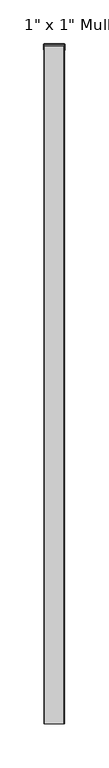
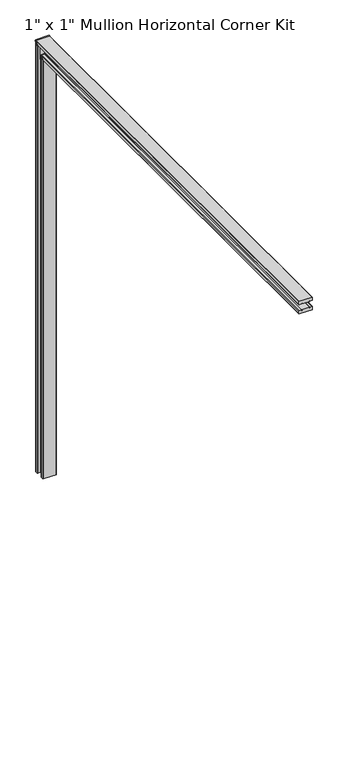
"""IFC4 building model written with IfcOpenShell, lengths in millimetres: proxy geometry."""

from ifc_helpers import new_model, si_unit, frame, origin, place, context, project, spatial, circle_curve, ellipse_curve, source, transform, mapped, element, save
from ifc_brep_helpers import plane_surface, cylinder_surface, advanced_brep


def proxy_1d9dbd2f(model_context):
    return source(origin(), model_context, "Body", "AdvancedBrep", [
        advanced_brep(
        [(12.065, 5.9717086, 4.8940779), (12.065, 1.2071068, 0.129476), (11.065, 0.5, -0.5776307), (6.3695855, 0.5, -0.5776307), (6.3695855, 1.5, 0.4223693), (-6.3695855, 1.5, 0.4223693), (-6.3695855, 0.5, -0.5776307), (-11.065, 0.5, -0.5776307), (-12.065, 1.2071068, 0.129476), (-12.065, 5.9717086, 4.8940779), (-11.065, 6.6788154, 5.6011846), (11.065, 6.6788154, 5.6011846), (12.065, 4.8940779, 5.9717086), (11.065, 5.6011846, 6.6788154), (-11.065, 5.6011846, 6.6788154), (-12.065, 4.8940779, 5.9717086), (-12.065, 0.129476, 1.2071068), (-11.065, -0.5776307, 0.5), (-6.3695855, -0.5776307, 0.5), (-6.3695855, 0.4223693, 1.5), (6.3695855, 0.4223693, 1.5), (6.3695855, -0.5776307, 0.5), (11.065, -0.5776307, 0.5), (12.065, 0.129476, 1.2071068), (11.065, -0.3276307, 0.25), (11.8712658, 0.25, 0.25), (11.065, 0.25, -0.3276307), (6.3695855, -0.3276307, 0.25), (6.3695855, 0.25, -0.3276307), (-11.065, -0.3276307, 0.25), (-6.3695855, -0.3276307, 0.25), (-11.065, 0.25, -0.3276307), (-6.3695855, 0.25, -0.3276307), (-11.8712658, 0.25, 0.25), (-6.3695855, 0.25, -26.372), (-6.3695855, 1.5, -26.372), (6.3695855, 1.5, -26.372), (6.3695855, 0.25, -26.372), (-6.3695855, -26.372, 0.25), (-6.3695855, -26.372, 1.5), (6.3695855, -26.372, 1.5), (6.3695855, -26.372, 0.25)],
        [
            (0, 1),
            (1, 2, circle_curve(frame((11.065, 1.2071068, 0.129476), z_axis=(0.0, 0.7071067811865461, -0.707106781186549), x_axis=(0.0, -0.707106781186549, -0.7071067811865461)), 1.0)),
            (2, 3),
            (3, 4),
            (4, 5),
            (5, 6),
            (6, 7),
            (7, 8, circle_curve(frame((-11.065, 1.2071068, 0.129476), z_axis=(0.0, 0.7071067811865461, -0.707106781186549), x_axis=(0.0, -0.707106781186549, -0.7071067811865461)), 1.0)),
            (8, 9),
            (9, 10, circle_curve(frame((-11.065, 5.9717086, 4.8940779), z_axis=(0.0, 0.7071067811865461, -0.707106781186549), x_axis=(0.0, -0.707106781186549, -0.7071067811865461)), 1.0)),
            (10, 11),
            (11, 0, circle_curve(frame((11.065, 5.9717086, 4.8940779), z_axis=(0.0, 0.7071067811865461, -0.707106781186549), x_axis=(0.0, -0.707106781186549, -0.7071067811865461)), 1.0)),
            (12, 13, circle_curve(frame((11.065, 4.8940779, 5.9717086), z_axis=(0.0, -0.7071067811865461, 0.707106781186549), x_axis=(0.0, -0.707106781186549, -0.7071067811865461)), 1.0)),
            (13, 14),
            (14, 15, circle_curve(frame((-11.065, 4.8940779, 5.9717086), z_axis=(0.0, -0.7071067811865461, 0.707106781186549), x_axis=(0.0, -0.707106781186549, -0.7071067811865461)), 1.0)),
            (15, 16),
            (16, 17, circle_curve(frame((-11.065, 0.129476, 1.2071068), z_axis=(0.0, -0.7071067811865461, 0.707106781186549), x_axis=(0.0, -0.707106781186549, -0.7071067811865461)), 1.0)),
            (17, 18),
            (18, 19),
            (19, 20),
            (20, 21),
            (21, 22),
            (22, 23, circle_curve(frame((11.065, 0.129476, 1.2071068), z_axis=(0.0, -0.7071067811865461, 0.707106781186549), x_axis=(0.0, -0.707106781186549, -0.7071067811865461)), 1.0)),
            (23, 12),
            (0, 12),
            (23, 1),
            (22, 24),
            (24, 25, ellipse_curve(frame((11.065, 1.0865828, 0.25), z_axis=(0.0, 0.0, 1.0), x_axis=(0.0, 1.0, 0.0)), 1.4142136, 1.0)),
            (25, 26, ellipse_curve(frame((11.065, 0.25, 1.0865828), z_axis=(0.0, 1.0, 0.0), x_axis=(0.0, 0.0, -1.0)), 1.4142136, 1.0)),
            (26, 2),
            (21, 27),
            (27, 24),
            (26, 28),
            (28, 3),
            (17, 29),
            (29, 30),
            (30, 18),
            (31, 7),
            (6, 32),
            (32, 31),
            (31, 33, ellipse_curve(frame((-11.065, 0.25, 1.0865828), z_axis=(0.0, 1.0, 0.0), x_axis=(0.0, 0.0, -1.0)), 1.4142136, 1.0)),
            (33, 29, ellipse_curve(frame((-11.065, 1.0865828, 0.25), z_axis=(0.0, 0.0, 1.0), x_axis=(0.0, 1.0, 0.0)), 1.4142136, 1.0)),
            (16, 8),
            (15, 9),
            (14, 10),
            (13, 11),
            (34, 35),
            (35, 36),
            (36, 37),
            (37, 34),
            (34, 32),
            (5, 35),
            (38, 39),
            (39, 19),
            (30, 38),
            (4, 36),
            (28, 37),
            (40, 41),
            (41, 27),
            (20, 40),
            (38, 41),
            (40, 39),
            (33, 25),
        ],
        [
            plane_surface(frame((0.0, 0.5388154, -0.5388154), z_axis=(0.0, 0.7071067811865461, -0.707106781186549), x_axis=(1.0, 0.0, 0.0))),
            plane_surface(frame((0.0, -0.5388154, 0.5388154), z_axis=(0.0, -0.7071067811865461, 0.707106781186549), x_axis=(1.0, 0.0, 0.0))),
            plane_surface(frame((12.065, 5.9717086, 4.8940779), z_axis=(1.0000000000000002, 0.0, 0.0), x_axis=(0.0, -0.7071067811865476, 0.7071067811865476))),
            cylinder_surface(frame((11.065, 1.2071068, 0.129476), z_axis=(0.0, 0.7071067811865461, -0.707106781186549), x_axis=(0.0, -0.707106781186549, -0.7071067811865461)), 1.0),
            plane_surface(frame((11.065, 0.5, -0.5776307), z_axis=(0.0, -0.7071067811865497, -0.7071067811865456), x_axis=(0.0, -0.7071067811865456, 0.7071067811865497))),
            cylinder_surface(frame((-11.065, 1.2071068, 0.129476), z_axis=(0.0, 0.7071067811865461, -0.707106781186549), x_axis=(0.0, -0.707106781186549, -0.7071067811865461)), 1.0),
            plane_surface(frame((-12.065, 1.2071068, 0.129476), z_axis=(-1.0000000000000002, 0.0, 0.0), x_axis=(0.0, -0.7071067811865456, 0.7071067811865497))),
            cylinder_surface(frame((-11.065, 5.9717086, 4.8940779), z_axis=(0.0, 0.7071067811865461, -0.707106781186549), x_axis=(0.0, -0.707106781186549, -0.7071067811865461)), 1.0),
            plane_surface(frame((-11.065, 6.6788154, 5.6011846), z_axis=(0.0, 0.7071067811865468, 0.7071067811865482), x_axis=(0.0, -0.7071067811865482, 0.7071067811865468))),
            cylinder_surface(frame((11.065, 5.9717086, 4.8940779), z_axis=(0.0, 0.7071067811865461, -0.707106781186549), x_axis=(0.0, -0.707106781186549, -0.7071067811865461)), 1.0),
            plane_surface(frame((0.0, 0.0, -26.372), z_axis=(0.0, 0.0, -1.0), x_axis=(1.0, 0.0, 0.0))),
            plane_surface(frame((-6.3695855, 0.25, -26.372), z_axis=(-1.0, 0.0, 0.0), x_axis=(0.0, 0.0, 1.0))),
            plane_surface(frame((-6.3695855, 1.5, -26.372), z_axis=(0.0, 1.0, 0.0), x_axis=(0.0, 0.0, 1.0))),
            plane_surface(frame((6.3695855, 1.5, -26.372), z_axis=(1.0, 0.0, 0.0), x_axis=(0.0, 0.0, 1.0))),
            plane_surface(frame((0.0, -26.372, 0.0), z_axis=(0.0, -1.0, 0.0), x_axis=(1.0, 0.0, 0.0))),
            plane_surface(frame((-6.3695855, 1.5, 1.5), z_axis=(0.0, 0.0, 1.0), x_axis=(0.0, -1.0, 0.0))),
            plane_surface(frame((-17.5, -1.028046, 0.25), z_axis=(0.0, 0.0, -1.0), x_axis=(1.0, 0.0, 0.0))),
            plane_surface(frame((-17.5, 0.25, 0.25), z_axis=(0.0, -1.0, 0.0), x_axis=(1.0, 0.0, 0.0))),
        ],
        [
            (0, [[1, 2, 3, 4, 5, 6, 7, 8, 9, 10, 11, 12]]),
            (1, [[13, 14, 15, 16, 17, 18, 19, 20, 21, 22, 23, 24]]),
            (2, [[-1, 25, -24, 26]]),
            (3, [[-2, -26, -23, 27, 28, 29, 30]]),
            (4, [[-27, -22, 31, 32]]),
            (4, [[-30, 33, 34, -3]]),
            (4, [[35, 36, 37, -18]]),
            (4, [[38, -7, 39, 40]]),
            (5, [[-8, -38, 41, 42, -35, -17, 43]]),
            (6, [[-9, -43, -16, 44]]),
            (7, [[-10, -44, -15, 45]]),
            (8, [[-11, -45, -14, 46]]),
            (9, [[-12, -46, -13, -25]]),
            (10, [[47, 48, 49, 50]]),
            (11, [[-47, 51, -39, -6, 52]]),
            (11, [[53, 54, -19, -37, 55]]),
            (12, [[-48, -52, -5, 56]]),
            (13, [[-49, -56, -4, -34, 57]]),
            (13, [[58, 59, -31, -21, 60]]),
            (14, [[-53, 61, -58, 62]]),
            (15, [[-62, -60, -20, -54]]),
            (16, [[-28, -32, -59, -61, -55, -36, -42, 63]]),
            (17, [[-29, -63, -41, -40, -51, -50, -57, -33]]),
        ],
    ),
        advanced_brep(
        [(-11.5, 5.64, -767.0), (-11.0, 6.14, -767.0), (11.0, 6.14, -767.0), (11.5, 5.64, -767.0), (11.5, 1.0, -767.0), (11.0, 0.5, -767.0), (6.75, 0.5, -767.0), (6.75, 1.5, -767.0), (5.7984177, 1.5, -767.0), (6.0, 0.0, -767.0), (-6.0, 0.0, -767.0), (-5.7984177, 1.5, -767.0), (-6.75, 1.5, -767.0), (-6.75, 0.5, -767.0), (-11.0, 0.5, -767.0), (-11.5, 1.0, -767.0), (-11.5, 1.0, 1.0), (-11.5, 5.2407851, 5.2407851), (-11.5, 5.64, 5.2407851), (-11.0, 0.5, 0.5), (-6.75, 0.5, 0.5), (-6.75, 1.5, 1.5), (6.75, 1.5, 1.5), (-5.7984177, 1.5, -26.372), (5.7984177, 1.5, -26.372), (-6.0, 0.0, -26.372), (6.0, 0.0, -26.372), (6.75, 0.5, 0.5), (11.0, 0.5, 0.5), (11.5, 1.0, 1.0), (11.5, 5.64, 5.2407851), (11.5, 5.2407851, 5.2407851), (11.0, 6.14, 5.2407851), (-11.0, 6.14, 5.2407851)],
        [
            (0, 1, circle_curve(frame((-11.0, 5.64, -767.0), z_axis=(0.0, 0.0, -1.0), x_axis=(0.0, -1.0, 0.0)), 0.5)),
            (1, 2),
            (2, 3, circle_curve(frame((11.0, 5.64, -767.0), z_axis=(0.0, 0.0, -1.0), x_axis=(0.0, -1.0, 0.0)), 0.5)),
            (3, 4),
            (4, 5, circle_curve(frame((11.0, 1.0, -767.0), z_axis=(0.0, 0.0, -1.0), x_axis=(0.0, -1.0, 0.0)), 0.5)),
            (5, 6),
            (6, 7),
            (7, 8),
            (8, 9),
            (9, 10),
            (10, 11),
            (11, 12),
            (12, 13),
            (13, 14),
            (14, 15, circle_curve(frame((-11.0, 1.0, -767.0), z_axis=(0.0, 0.0, -1.0), x_axis=(0.0, -1.0, 0.0)), 0.5)),
            (15, 0),
            (15, 16),
            (16, 17),
            (17, 18),
            (18, 0),
            (14, 19),
            (19, 16, ellipse_curve(frame((-11.0, 1.0, 1.0), z_axis=(0.0, 0.7071067811847964, -0.7071067811882987), x_axis=(0.0, 0.7071067811882987, 0.7071067811847962)), 0.7071068, 0.5)),
            (13, 20),
            (20, 19),
            (12, 21),
            (21, 20),
            (7, 22),
            (22, 21),
            (11, 23),
            (23, 24),
            (24, 8),
            (10, 25),
            (25, 23),
            (9, 26),
            (26, 25),
            (24, 26),
            (6, 27),
            (27, 22),
            (5, 28),
            (28, 27),
            (4, 29),
            (29, 28, ellipse_curve(frame((11.0, 1.0, 1.0), z_axis=(0.0, 0.7071067811847964, -0.7071067811882987), x_axis=(0.0, 0.7071067811882987, 0.7071067811847962)), 0.7071068, 0.5)),
            (3, 30),
            (30, 31),
            (31, 29),
            (2, 32),
            (32, 30, circle_curve(frame((11.0, 5.64, 5.2407851), z_axis=(0.0, 0.0, -1.0), x_axis=(0.0, -1.0, 0.0)), 0.5)),
            (1, 33),
            (33, 32),
            (18, 33, circle_curve(frame((-11.0, 5.64, 5.2407851), z_axis=(0.0, 0.0, -1.0), x_axis=(0.0, -1.0, 0.0)), 0.5)),
            (31, 17),
        ],
        [
            plane_surface(frame((0.0, 0.0, -767.0), z_axis=(0.0, 0.0, -1.0), x_axis=(0.0, -1.0, 0.0))),
            plane_surface(frame((-11.5, 5.64, 6.14), z_axis=(-1.0, 0.0, 0.0), x_axis=(0.0, 0.0, -1.0))),
            cylinder_surface(frame((-11.0, 1.0, 6.14), z_axis=(0.0, 0.0, 1.0), x_axis=(0.0, -1.0, 0.0)), 0.5),
            plane_surface(frame((-11.0, 0.5, 6.14), z_axis=(0.0, -1.0, 0.0), x_axis=(0.0, 0.0, -1.0))),
            plane_surface(frame((-6.75, 0.5, 6.14), z_axis=(1.0, 0.0, 0.0), x_axis=(0.0, 0.0, -1.0))),
            plane_surface(frame((-6.75, 1.5, 6.14), z_axis=(0.0, -1.0, 0.0), x_axis=(0.0, 0.0, -1.0))),
            plane_surface(frame((-5.7984177, 1.5, 6.14), z_axis=(-0.9910904075858298, 0.13319085550950469, 0.0), x_axis=(0.0, 0.0, -1.0))),
            plane_surface(frame((-6.0, 0.0, 6.14), z_axis=(0.0, -1.0, 0.0), x_axis=(0.0, 0.0, -1.0))),
            plane_surface(frame((6.0, 0.0, 6.14), z_axis=(0.9910904075858308, 0.13319085550949786, 0.0), x_axis=(0.0, 0.0, -1.0))),
            plane_surface(frame((6.75, 1.5, 6.14), z_axis=(-1.0, 0.0, 0.0), x_axis=(0.0, 0.0, -1.0))),
            plane_surface(frame((6.75, 0.5, 6.14), z_axis=(0.0, -1.0, 0.0), x_axis=(0.0, 0.0, -1.0))),
            cylinder_surface(frame((11.0, 1.0, 6.14), z_axis=(0.0, 0.0, 1.0), x_axis=(0.0, -1.0, 0.0)), 0.5),
            plane_surface(frame((11.5, 1.0, 6.14), z_axis=(1.0, 0.0, 0.0), x_axis=(0.0, 0.0, -1.0))),
            cylinder_surface(frame((11.0, 5.64, 6.14), z_axis=(0.0, 0.0, 1.0), x_axis=(0.0, -1.0, 0.0)), 0.5),
            plane_surface(frame((11.0, 6.14, 6.14), z_axis=(0.0, 1.0, 0.0), x_axis=(0.0, 0.0, -1.0))),
            cylinder_surface(frame((-11.0, 5.64, 6.14), z_axis=(0.0, 0.0, 1.0), x_axis=(0.0, -1.0, 0.0)), 0.5),
            plane_surface(frame((-11.5, 6.14, 6.14), z_axis=(0.0, -0.7071067811847964, 0.7071067811882987), x_axis=(1.0, 0.0, 0.0))),
            plane_surface(frame((0.0, 0.0, -26.372), z_axis=(0.0, 0.0, 1.0), x_axis=(1.0, 0.0, 0.0))),
            plane_surface(frame((-11.5, 6.14, 5.2407851), z_axis=(0.0, 0.0, 1.0), x_axis=(1.0, 0.0, 0.0))),
        ],
        [
            (0, [[1, 2, 3, 4, 5, 6, 7, 8, 9, 10, 11, 12, 13, 14, 15, 16]]),
            (1, [[-16, 17, 18, 19, 20]]),
            (2, [[-15, 21, 22, -17]]),
            (3, [[-14, 23, 24, -21]]),
            (4, [[-13, 25, 26, -23]]),
            (5, [[-8, 27, 28, -25, -12, 29, 30, 31]]),
            (6, [[-11, 32, 33, -29]]),
            (7, [[-10, 34, 35, -32]]),
            (8, [[-9, -31, 36, -34]]),
            (9, [[-7, 37, 38, -27]]),
            (10, [[-6, 39, 40, -37]]),
            (11, [[-5, 41, 42, -39]]),
            (12, [[-4, 43, 44, 45, -41]]),
            (13, [[-3, 46, 47, -43]]),
            (14, [[-2, 48, 49, -46]]),
            (15, [[-1, -20, 50, -48]]),
            (16, [[-22, -24, -26, -28, -38, -40, -42, -45, 51, -18]]),
            (17, [[-30, -33, -35, -36]]),
            (18, [[-19, -51, -44, -47, -49, -50]]),
        ],
    ),
        advanced_brep(
        [(-11.0, -10.5, -767.0), (-6.75, -10.5, -767.0), (-6.75, -11.5, -767.0), (-5.7984177, -11.5, -767.0), (-6.0, -10.0, -767.0), (6.0, -10.0, -767.0), (5.7984177, -11.5, -767.0), (6.75, -11.5, -767.0), (6.75, -10.5, -767.0), (11.0, -10.5, -767.0), (11.5, -11.0, -767.0), (11.5, -15.64, -767.0), (11.0, -16.14, -767.0), (-11.0, -16.14, -767.0), (-11.5, -15.64, -767.0), (-11.5, -11.0, -767.0), (-11.5, -11.0, -11.0), (-11.0, -10.5, -10.5), (-11.5, -15.64, -15.64), (-11.0, -16.14, -16.14), (11.0, -16.14, -16.14), (11.5, -15.64, -15.64), (11.5, -11.0, -11.0), (11.0, -10.5, -10.5), (6.75, -10.5, -10.5), (6.75, -11.5, -11.5), (5.7984177, -11.5, -11.5), (6.0, -10.0, -10.0), (-6.0, -10.0, -10.0), (-5.7984177, -11.5, -11.5), (-6.75, -11.5, -11.5), (-6.75, -10.5, -10.5)],
        [
            (0, 1),
            (1, 2),
            (2, 3),
            (3, 4),
            (4, 5),
            (5, 6),
            (6, 7),
            (7, 8),
            (8, 9),
            (9, 10, circle_curve(frame((11.0, -11.0, -767.0), z_axis=(0.0, 0.0, -1.0), x_axis=(0.0, -1.0, 0.0)), 0.5)),
            (10, 11),
            (11, 12, circle_curve(frame((11.0, -15.64, -767.0), z_axis=(0.0, 0.0, -1.0), x_axis=(0.0, -1.0, 0.0)), 0.5)),
            (12, 13),
            (13, 14, circle_curve(frame((-11.0, -15.64, -767.0), z_axis=(0.0, 0.0, -1.0), x_axis=(0.0, -1.0, 0.0)), 0.5)),
            (14, 15),
            (15, 0, circle_curve(frame((-11.0, -11.0, -767.0), z_axis=(0.0, 0.0, -1.0), x_axis=(0.0, -1.0, 0.0)), 0.5)),
            (15, 16),
            (16, 17, ellipse_curve(frame((-11.0, -11.0, -11.0), z_axis=(0.0, 0.7071067811847964, -0.7071067811882987), x_axis=(0.0, 0.7071067811882987, 0.7071067811847962)), 0.7071068, 0.5)),
            (17, 0),
            (14, 18),
            (18, 16),
            (13, 19),
            (19, 18, ellipse_curve(frame((-11.0, -15.64, -15.64), z_axis=(0.0, 0.7071067811847964, -0.7071067811882987), x_axis=(0.0, 0.7071067811882987, 0.7071067811847962)), 0.7071068, 0.5)),
            (12, 20),
            (20, 19),
            (11, 21),
            (21, 20, ellipse_curve(frame((11.0, -15.64, -15.64), z_axis=(0.0, 0.7071067811847964, -0.7071067811882987), x_axis=(0.0, 0.7071067811882987, 0.7071067811847962)), 0.7071068, 0.5)),
            (10, 22),
            (22, 21),
            (9, 23),
            (23, 22, ellipse_curve(frame((11.0, -11.0, -11.0), z_axis=(0.0, 0.7071067811847964, -0.7071067811882987), x_axis=(0.0, 0.7071067811882987, 0.7071067811847962)), 0.7071068, 0.5)),
            (8, 24),
            (24, 23),
            (7, 25),
            (25, 24),
            (6, 26),
            (26, 25),
            (5, 27),
            (27, 26),
            (4, 28),
            (28, 27),
            (3, 29),
            (29, 28),
            (2, 30),
            (30, 29),
            (1, 31),
            (31, 30),
            (17, 31),
        ],
        [
            plane_surface(frame((0.0, 0.0, -767.0), z_axis=(0.0, 0.0, -1.0), x_axis=(0.0, -1.0, 0.0))),
            cylinder_surface(frame((-11.0, -11.0, 6.14), z_axis=(0.0, 0.0, 1.0), x_axis=(0.0, -1.0, 0.0)), 0.5),
            plane_surface(frame((-11.5, -11.0, 6.14), z_axis=(-1.0, 0.0, 0.0), x_axis=(0.0, 0.0, -1.0))),
            cylinder_surface(frame((-11.0, -15.64, 6.14), z_axis=(0.0, 0.0, 1.0), x_axis=(0.0, -1.0, 0.0)), 0.5),
            plane_surface(frame((-11.0, -16.14, 6.14), z_axis=(0.0, -1.0, 0.0), x_axis=(0.0, 0.0, -1.0))),
            cylinder_surface(frame((11.0, -15.64, 6.14), z_axis=(0.0, 0.0, 1.0), x_axis=(0.0, -1.0, 0.0)), 0.5),
            plane_surface(frame((11.5, -15.64, 6.14), z_axis=(1.0, 0.0, 0.0), x_axis=(0.0, 0.0, -1.0))),
            cylinder_surface(frame((11.0, -11.0, 6.14), z_axis=(0.0, 0.0, 1.0), x_axis=(0.0, -1.0, 0.0)), 0.5),
            plane_surface(frame((11.0, -10.5, 6.14), z_axis=(0.0, 1.0, 0.0), x_axis=(0.0, 0.0, -1.0))),
            plane_surface(frame((6.75, -10.5, 6.14), z_axis=(-1.0, 0.0, 0.0), x_axis=(0.0, 0.0, -1.0))),
            plane_surface(frame((6.75, -11.5, 6.14), z_axis=(0.0, 1.0, 0.0), x_axis=(0.0, 0.0, -1.0))),
            plane_surface(frame((5.7984177, -11.5, 6.14), z_axis=(0.9910904075863589, -0.1331908555055677, 0.0), x_axis=(0.0, 0.0, -1.0))),
            plane_surface(frame((6.0, -10.0, 6.14), z_axis=(0.0, 1.0, 0.0), x_axis=(0.0, 0.0, -1.0))),
            plane_surface(frame((-6.0, -10.0, 6.14), z_axis=(-0.991090407586354, -0.13319085550560406, 0.0), x_axis=(0.0, 0.0, -1.0))),
            plane_surface(frame((-5.7984177, -11.5, 6.14), z_axis=(0.0, 1.0, 0.0), x_axis=(0.0, 0.0, -1.0))),
            plane_surface(frame((-6.75, -11.5, 6.14), z_axis=(1.0, 0.0, 0.0), x_axis=(0.0, 0.0, -1.0))),
            plane_surface(frame((-6.75, -10.5, 6.14), z_axis=(0.0, 1.0, 0.0), x_axis=(0.0, 0.0, -1.0))),
            plane_surface(frame((-11.5, 6.14, 6.14), z_axis=(0.0, -0.7071067811847964, 0.7071067811882987), x_axis=(1.0, 0.0, 0.0))),
        ],
        [
            (0, [[1, 2, 3, 4, 5, 6, 7, 8, 9, 10, 11, 12, 13, 14, 15, 16]]),
            (1, [[-16, 17, 18, 19]]),
            (2, [[-15, 20, 21, -17]]),
            (3, [[-14, 22, 23, -20]]),
            (4, [[-13, 24, 25, -22]]),
            (5, [[-12, 26, 27, -24]]),
            (6, [[-11, 28, 29, -26]]),
            (7, [[-10, 30, 31, -28]]),
            (8, [[-9, 32, 33, -30]]),
            (9, [[-8, 34, 35, -32]]),
            (10, [[-7, 36, 37, -34]]),
            (11, [[-6, 38, 39, -36]]),
            (12, [[-5, 40, 41, -38]]),
            (13, [[-4, 42, 43, -40]]),
            (14, [[-3, 44, 45, -42]]),
            (15, [[-2, 46, 47, -44]]),
            (16, [[-1, -19, 48, -46]]),
            (17, [[-18, -21, -23, -25, -27, -29, -31, -33, -35, -37, -39, -41, -43, -45, -47, -48]]),
        ],
    ),
        advanced_brep(
        [(-11.5, -767.0, 5.64), (-11.5, -767.0, 1.0), (-11.0, -767.0, 0.5), (-6.75, -767.0, 0.5), (-6.75, -767.0, 1.5), (-5.7984177, -767.0, 1.5), (-6.0, -767.0, 0.0), (6.0, -767.0, 0.0), (5.7984177, -767.0, 1.5), (6.75, -767.0, 1.5), (6.75, -767.0, 0.5), (11.0, -767.0, 0.5), (11.5, -767.0, 1.0), (11.5, -767.0, 5.64), (11.0, -767.0, 6.14), (-11.0, -767.0, 6.14), (-11.5, 5.2407851, 5.64), (-11.5, 5.2407851, 5.2407851), (-11.5, 1.0, 1.0), (-11.0, 0.5, 0.5), (-6.75, 0.5, 0.5), (-6.75, 1.5, 1.5), (6.75, 1.5, 1.5), (5.7984177, -26.372, 1.5), (-5.7984177, -26.372, 1.5), (-6.0, -26.372, 0.0), (6.0, -26.372, 0.0), (6.75, 0.5, 0.5), (11.0, 0.5, 0.5), (11.5, 1.0, 1.0), (11.5, 5.2407851, 5.2407851), (11.5, 5.2407851, 5.64), (11.0, 5.2407851, 6.14), (-11.0, 5.2407851, 6.14)],
        [
            (0, 1),
            (1, 2, circle_curve(frame((-11.0, -767.0, 1.0), z_axis=(0.0, -1.0, 0.0), x_axis=(-1.0, 0.0, 0.0)), 0.5)),
            (2, 3),
            (3, 4),
            (4, 5),
            (5, 6),
            (6, 7),
            (7, 8),
            (8, 9),
            (9, 10),
            (10, 11),
            (11, 12, circle_curve(frame((11.0, -767.0, 1.0), z_axis=(0.0, -1.0, 0.0), x_axis=(-1.0, 0.0, 0.0)), 0.5)),
            (12, 13),
            (13, 14, circle_curve(frame((11.0, -767.0, 5.64), z_axis=(0.0, -1.0, 0.0), x_axis=(-1.0, 0.0, 0.0)), 0.5)),
            (14, 15),
            (15, 0, circle_curve(frame((-11.0, -767.0, 5.64), z_axis=(0.0, -1.0, 0.0), x_axis=(-1.0, 0.0, 0.0)), 0.5)),
            (0, 16),
            (16, 17),
            (17, 18),
            (18, 1),
            (18, 19, ellipse_curve(frame((-11.0, 1.0, 1.0), z_axis=(0.0, -0.7071067811852165, 0.7071067811878786), x_axis=(0.0, -0.7071067811878784, -0.7071067811852165)), 0.7071068, 0.5)),
            (19, 2),
            (19, 20),
            (20, 3),
            (20, 21),
            (21, 4),
            (21, 22),
            (22, 9),
            (8, 23),
            (23, 24),
            (24, 5),
            (24, 25),
            (25, 6),
            (25, 26),
            (26, 7),
            (26, 23),
            (22, 27),
            (27, 10),
            (27, 28),
            (28, 11),
            (28, 29, ellipse_curve(frame((11.0, 1.0, 1.0), z_axis=(0.0, -0.7071067811852165, 0.7071067811878786), x_axis=(0.0, -0.7071067811878784, -0.7071067811852165)), 0.7071068, 0.5)),
            (29, 12),
            (29, 30),
            (30, 31),
            (31, 13),
            (31, 32, circle_curve(frame((11.0, 5.2407851, 5.64), z_axis=(0.0, -1.0, 0.0), x_axis=(-1.0, 0.0, 0.0)), 0.5)),
            (32, 14),
            (32, 33),
            (33, 15),
            (33, 16, circle_curve(frame((-11.0, 5.2407851, 5.64), z_axis=(0.0, -1.0, 0.0), x_axis=(-1.0, 0.0, 0.0)), 0.5)),
            (17, 30),
        ],
        [
            plane_surface(frame((0.0, -767.0, 0.0), z_axis=(0.0, -1.0, 0.0), x_axis=(0.0, 0.0, 1.0))),
            plane_surface(frame((-11.5, -767.0, 5.64), z_axis=(-1.0, 0.0, 0.0), x_axis=(0.0, 1.0, 0.0))),
            cylinder_surface(frame((-11.0, -767.0, 1.0), z_axis=(0.0, -1.0, 0.0), x_axis=(-1.0, 0.0, 0.0)), 0.5),
            plane_surface(frame((-11.0, -767.0, 0.5), z_axis=(0.0, 0.0, -1.0), x_axis=(0.0, 1.0, 0.0))),
            plane_surface(frame((-6.75, -767.0, 0.5), z_axis=(1.0, 0.0, 0.0), x_axis=(0.0, 1.0, 0.0))),
            plane_surface(frame((-6.75, -767.0, 1.5), z_axis=(0.0, 0.0, -1.0), x_axis=(0.0, 1.0, 0.0))),
            plane_surface(frame((-5.7984177, -767.0, 1.5), z_axis=(-0.9910904075858231, 0.0, 0.13319085550955417), x_axis=(0.0, 1.0, 0.0))),
            plane_surface(frame((-6.0, -767.0, 0.0), z_axis=(0.0, 0.0, -1.0), x_axis=(0.0, 1.0, 0.0))),
            plane_surface(frame((6.0, -767.0, 0.0), z_axis=(0.99109040758583, 0.0, 0.13319085550950335), x_axis=(0.0, 1.0, 0.0))),
            plane_surface(frame((6.75, -767.0, 1.5), z_axis=(-1.0, 0.0, 0.0), x_axis=(0.0, 1.0, 0.0))),
            plane_surface(frame((6.75, -767.0, 0.5), z_axis=(0.0, 0.0, -1.0), x_axis=(0.0, 1.0, 0.0))),
            cylinder_surface(frame((11.0, -767.0, 1.0), z_axis=(0.0, -1.0, 0.0), x_axis=(-1.0, 0.0, 0.0)), 0.5),
            plane_surface(frame((11.5, -767.0, 1.0), z_axis=(1.0, 0.0, 0.0), x_axis=(0.0, 1.0, 0.0))),
            cylinder_surface(frame((11.0, -767.0, 5.64), z_axis=(0.0, -1.0, 0.0), x_axis=(-1.0, 0.0, 0.0)), 0.5),
            plane_surface(frame((11.0, -767.0, 6.14), z_axis=(0.0, 0.0, 1.0), x_axis=(0.0, 1.0, 0.0))),
            cylinder_surface(frame((-11.0, -767.0, 5.64), z_axis=(0.0, -1.0, 0.0), x_axis=(-1.0, 0.0, 0.0)), 0.5),
            plane_surface(frame((-11.5, -16.14, -16.14), z_axis=(0.0, 0.7071067811852165, -0.7071067811878786), x_axis=(1.0, 0.0, 0.0))),
            plane_surface(frame((0.0, -26.372, 0.0), z_axis=(0.0, 1.0, 0.0), x_axis=(1.0, 0.0, 0.0))),
            plane_surface(frame((-11.5, 5.2407851, 5.2407851), z_axis=(0.0, 1.0, 0.0), x_axis=(1.0, 0.0, 0.0))),
        ],
        [
            (0, [[1, 2, 3, 4, 5, 6, 7, 8, 9, 10, 11, 12, 13, 14, 15, 16]]),
            (1, [[-1, 17, 18, 19, 20]]),
            (2, [[-2, -20, 21, 22]]),
            (3, [[-3, -22, 23, 24]]),
            (4, [[-4, -24, 25, 26]]),
            (5, [[-5, -26, 27, 28, -9, 29, 30, 31]]),
            (6, [[-6, -31, 32, 33]]),
            (7, [[-7, -33, 34, 35]]),
            (8, [[-8, -35, 36, -29]]),
            (9, [[-10, -28, 37, 38]]),
            (10, [[-11, -38, 39, 40]]),
            (11, [[-12, -40, 41, 42]]),
            (12, [[-13, -42, 43, 44, 45]]),
            (13, [[-14, -45, 46, 47]]),
            (14, [[-15, -47, 48, 49]]),
            (15, [[-16, -49, 50, -17]]),
            (16, [[-21, -19, 51, -43, -41, -39, -37, -27, -25, -23]]),
            (17, [[-30, -36, -34, -32]]),
            (18, [[-18, -50, -48, -46, -44, -51]]),
        ],
    ),
        advanced_brep(
        [(-11.0, -767.0, -10.5), (-11.5, -767.0, -11.0), (-11.5, -767.0, -15.64), (-11.0, -767.0, -16.14), (11.0, -767.0, -16.14), (11.5, -767.0, -15.64), (11.5, -767.0, -11.0), (11.0, -767.0, -10.5), (6.75, -767.0, -10.5), (6.75, -767.0, -11.5), (5.7984177, -767.0, -11.5), (6.0, -767.0, -10.0), (-6.0, -767.0, -10.0), (-5.7984177, -767.0, -11.5), (-6.75, -767.0, -11.5), (-6.75, -767.0, -10.5), (-11.0, -10.5, -10.5), (-11.5, -11.0, -11.0), (-11.5, -15.64, -15.64), (-11.0, -16.14, -16.14), (11.0, -16.14, -16.14), (11.5, -15.64, -15.64), (11.5, -11.0, -11.0), (11.0, -10.5, -10.5), (6.75, -10.5, -10.5), (6.75, -11.5, -11.5), (5.7984177, -11.5, -11.5), (6.0, -10.0, -10.0), (-6.0, -10.0, -10.0), (-5.7984177, -11.5, -11.5), (-6.75, -11.5, -11.5), (-6.75, -10.5, -10.5)],
        [
            (0, 1, circle_curve(frame((-11.0, -767.0, -11.0), z_axis=(0.0, -1.0, 0.0), x_axis=(-1.0, 0.0, 0.0)), 0.5)),
            (1, 2),
            (2, 3, circle_curve(frame((-11.0, -767.0, -15.64), z_axis=(0.0, -1.0, 0.0), x_axis=(-1.0, 0.0, 0.0)), 0.5)),
            (3, 4),
            (4, 5, circle_curve(frame((11.0, -767.0, -15.64), z_axis=(0.0, -1.0, 0.0), x_axis=(-1.0, 0.0, 0.0)), 0.5)),
            (5, 6),
            (6, 7, circle_curve(frame((11.0, -767.0, -11.0), z_axis=(0.0, -1.0, 0.0), x_axis=(-1.0, 0.0, 0.0)), 0.5)),
            (7, 8),
            (8, 9),
            (9, 10),
            (10, 11),
            (11, 12),
            (12, 13),
            (13, 14),
            (14, 15),
            (15, 0),
            (0, 16),
            (16, 17, ellipse_curve(frame((-11.0, -11.0, -11.0), z_axis=(0.0, -0.7071067811852165, 0.7071067811878786), x_axis=(0.0, -0.7071067811878784, -0.7071067811852165)), 0.7071068, 0.5)),
            (17, 1),
            (17, 18),
            (18, 2),
            (18, 19, ellipse_curve(frame((-11.0, -15.64, -15.64), z_axis=(0.0, -0.7071067811852165, 0.7071067811878786), x_axis=(0.0, -0.7071067811878784, -0.7071067811852165)), 0.7071068, 0.5)),
            (19, 3),
            (19, 20),
            (20, 4),
            (20, 21, ellipse_curve(frame((11.0, -15.64, -15.64), z_axis=(0.0, -0.7071067811852165, 0.7071067811878786), x_axis=(0.0, -0.7071067811878784, -0.7071067811852165)), 0.7071068, 0.5)),
            (21, 5),
            (21, 22),
            (22, 6),
            (22, 23, ellipse_curve(frame((11.0, -11.0, -11.0), z_axis=(0.0, -0.7071067811852165, 0.7071067811878786), x_axis=(0.0, -0.7071067811878784, -0.7071067811852165)), 0.7071068, 0.5)),
            (23, 7),
            (23, 24),
            (24, 8),
            (24, 25),
            (25, 9),
            (25, 26),
            (26, 10),
            (26, 27),
            (27, 11),
            (27, 28),
            (28, 12),
            (28, 29),
            (29, 13),
            (29, 30),
            (30, 14),
            (30, 31),
            (31, 15),
            (31, 16),
        ],
        [
            plane_surface(frame((0.0, -767.0, 0.0), z_axis=(0.0, -1.0, 0.0), x_axis=(0.0, 0.0, 1.0))),
            cylinder_surface(frame((-11.0, -767.0, -11.0), z_axis=(0.0, -1.0, 0.0), x_axis=(-1.0, 0.0, 0.0)), 0.5),
            plane_surface(frame((-11.5, -767.0, -11.0), z_axis=(-1.0, 0.0, 0.0), x_axis=(0.0, 1.0, 0.0))),
            cylinder_surface(frame((-11.0, -767.0, -15.64), z_axis=(0.0, -1.0, 0.0), x_axis=(-1.0, 0.0, 0.0)), 0.5),
            plane_surface(frame((-11.0, -767.0, -16.14), z_axis=(0.0, 0.0, -1.0), x_axis=(0.0, 1.0, 0.0))),
            cylinder_surface(frame((11.0, -767.0, -15.64), z_axis=(0.0, -1.0, 0.0), x_axis=(-1.0, 0.0, 0.0)), 0.5),
            plane_surface(frame((11.5, -767.0, -15.64), z_axis=(1.0, 0.0, 0.0), x_axis=(0.0, 1.0, 0.0))),
            cylinder_surface(frame((11.0, -767.0, -11.0), z_axis=(0.0, -1.0, 0.0), x_axis=(-1.0, 0.0, 0.0)), 0.5),
            plane_surface(frame((11.0, -767.0, -10.5), z_axis=(0.0, 0.0, 1.0), x_axis=(0.0, 1.0, 0.0))),
            plane_surface(frame((6.75, -767.0, -10.5), z_axis=(-1.0, 0.0, 0.0), x_axis=(0.0, 1.0, 0.0))),
            plane_surface(frame((6.75, -767.0, -11.5), z_axis=(0.0, 0.0, 1.0), x_axis=(0.0, 1.0, 0.0))),
            plane_surface(frame((5.7984177, -767.0, -11.5), z_axis=(0.9910904075850954, 0.0, -0.13319085551496954), x_axis=(0.0, 1.0, 0.0))),
            plane_surface(frame((6.0, -767.0, -10.0), z_axis=(0.0, 0.0, 1.0), x_axis=(0.0, 1.0, 0.0))),
            plane_surface(frame((-6.0, -767.0, -10.0), z_axis=(-0.9910904075850846, 0.0, -0.1331908555150498), x_axis=(0.0, 1.0, 0.0))),
            plane_surface(frame((-5.7984177, -767.0, -11.5), z_axis=(0.0, 0.0, 1.0), x_axis=(0.0, 1.0, 0.0))),
            plane_surface(frame((-6.75, -767.0, -11.5), z_axis=(1.0, 0.0, 0.0), x_axis=(0.0, 1.0, 0.0))),
            plane_surface(frame((-6.75, -767.0, -10.5), z_axis=(0.0, 0.0, 1.0), x_axis=(0.0, 1.0, 0.0))),
            plane_surface(frame((-11.5, -16.14, -16.14), z_axis=(0.0, 0.7071067811852165, -0.7071067811878786), x_axis=(1.0, 0.0, 0.0))),
        ],
        [
            (0, [[1, 2, 3, 4, 5, 6, 7, 8, 9, 10, 11, 12, 13, 14, 15, 16]]),
            (1, [[-1, 17, 18, 19]]),
            (2, [[-2, -19, 20, 21]]),
            (3, [[-3, -21, 22, 23]]),
            (4, [[-4, -23, 24, 25]]),
            (5, [[-5, -25, 26, 27]]),
            (6, [[-6, -27, 28, 29]]),
            (7, [[-7, -29, 30, 31]]),
            (8, [[-8, -31, 32, 33]]),
            (9, [[-9, -33, 34, 35]]),
            (10, [[-10, -35, 36, 37]]),
            (11, [[-11, -37, 38, 39]]),
            (12, [[-12, -39, 40, 41]]),
            (13, [[-13, -41, 42, 43]]),
            (14, [[-14, -43, 44, 45]]),
            (15, [[-15, -45, 46, 47]]),
            (16, [[-16, -47, 48, -17]]),
            (17, [[-18, -48, -46, -44, -42, -40, -38, -36, -34, -32, -30, -28, -26, -24, -22, -20]]),
        ],
    ),
    ])


if __name__ == "__main__":
    model = new_model("IFC4")
    model_context = context("Model", 3, world=origin())
    ifc_project = project(units=[si_unit("LENGTHUNIT", "METRE", prefix="MILLI")], contexts=[model_context])
    site = spatial("IfcSite", under=ifc_project)
    building = spatial("IfcBuilding", under=site)
    placement = place(None, origin())
    proxy_shape = proxy_1d9dbd2f(model_context)
    element("IfcBuildingElementProxy", 1, Name="1\" x 1\" Mullion Horizontal Corner Kit", ObjectType="1\" x 1\" Mullion Horizontal Corner Kit", at=placement, inside=building, context=model_context, shape_type="MappedRepresentation", body=[
        mapped(proxy_shape, transform((0.0, 0.0, 0.0), x_axis=(1.0, 0.0, 0.0), y_axis=(0.0, 1.0, 0.0), z_axis=(0.0, 0.0, 1.0))),
    ])
    save(model, "model.ifc")
